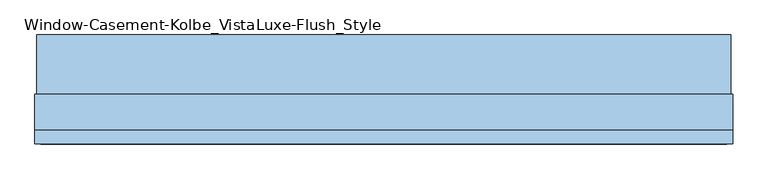
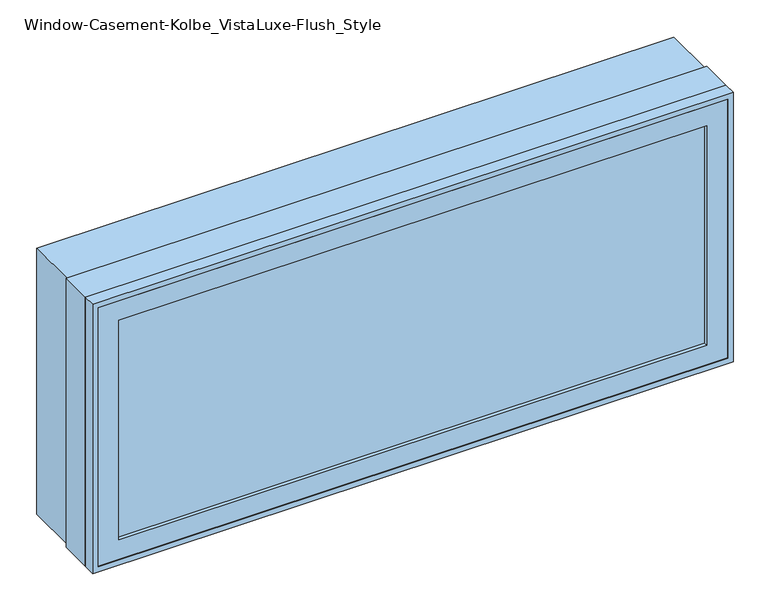
"""IFC4 building model written with IfcOpenShell, lengths in millimetres: window geometry, Window-Casement-Kolbe_VistaLuxe-Flush_Style."""

from ifc_helpers import new_model, si_unit, frame, origin, place, context, project, spatial, polyline, outline, extrude, faceted_brep, source, transform, mapped, element, save


def window_casement_kolbe_vistaluxe_flush_style_85f8f85f(model_context):
    return source(origin(), model_context, "Body", "SolidModel", [
        faceted_brep([(-635.0696599, -111.85398, 970.676875), (-635.0696599, -119.79148, 970.676875), (623.9765901, -119.79148, 970.676875), (623.9765901, -111.85398, 970.676875), (-650.9446599, -89.60358, 954.801875), (-650.9446599, -111.85398, 954.801875), (639.8515901, -111.85398, 954.801875), (639.8515901, -89.60358, 954.801875), (-635.0696599, -70.57898, 970.676875), (-635.0696599, -89.60358, 970.676875), (623.9765901, -89.60358, 970.676875), (623.9765901, -70.57898, 970.676875), (-679.5196599, -119.79148, 926.226875), (-679.5196599, -70.57898, 926.226875), (668.4265901, -70.57898, 926.226875), (668.4265901, -119.79148, 926.226875), (623.9765901, -119.79148, 1467.723125), (623.9765901, -111.85398, 1467.723125), (639.8515901, -111.85398, 1483.598125), (639.8515901, -89.60358, 1483.598125), (623.9765901, -89.60358, 1467.723125), (623.9765901, -70.57898, 1467.723125), (668.4265901, -70.57898, 1512.173125), (668.4265901, -119.79148, 1512.173125), (-635.0696599, -119.79148, 1467.723125), (-635.0696599, -111.85398, 1467.723125), (-650.9446599, -111.85398, 1483.598125), (-650.9446599, -89.60358, 1483.598125), (-635.0696599, -89.60358, 1467.723125), (-635.0696599, -70.57898, 1467.723125), (-679.5196599, -70.57898, 1512.173125), (-679.5196599, -119.79148, 1512.173125)], [[[0, 1, 2, 3]], [[4, 5, 6, 7]], [[8, 9, 10, 11]], [[12, 13, 14, 15]], [[3, 2, 16, 17]], [[7, 6, 18, 19]], [[11, 10, 20, 21]], [[15, 14, 22, 23]], [[17, 16, 24, 25]], [[19, 18, 26, 27]], [[21, 20, 28, 29]], [[23, 22, 30, 31]], [[25, 24, 1, 0]], [[5, 26, 18, 6], [3, 17, 25, 0]], [[27, 26, 5, 4]], [[7, 19, 27, 4], [9, 28, 20, 10]], [[29, 28, 9, 8]], [[13, 30, 22, 14], [11, 21, 29, 8]], [[31, 30, 13, 12]], [[15, 23, 31, 12], [1, 24, 16, 2]]]),
        extrude(outline(polyline([(1520.4186, 676.6720651), (1520.4186, -687.7651349), (917.9814, -687.7651349), (917.9814, 676.6720651), (1520.4186, 676.6720651)]), holes=[polyline([(936.545625, 658.1078401), (936.545625, -669.2009099), (1501.854375, -669.2009099), (1501.854375, 658.1078401), (936.545625, 658.1078401)])]), frame((0.0, -22.9997, 0.0), z_axis=(0.0, 1.0, 0.0), x_axis=(0.0, 0.0, 1.0)), (0.0, 0.0, 1.0), 116.6622),
        extrude(outline(polyline([(1524.0, -691.3465349), (914.4, -691.3465349), (914.4, 680.2534651), (1524.0, 680.2534651), (1524.0, -691.3465349)]), holes=[polyline([(1512.173125, 668.4265901), (926.226875, 668.4265901), (926.226875, -679.5196599), (1512.173125, -679.5196599), (1512.173125, 668.4265901)])]), frame((0.0, -120.5865, 0.0), z_axis=(0.0, 1.0, 0.0), x_axis=(0.0, 0.0, 1.0)), (0.0, 0.0, 1.0), 26.924),
        faceted_brep([(680.2534651, -22.9997, 914.4), (680.2534651, -93.6625, 914.4), (-691.3465349, -93.6625, 914.4), (-691.3465349, -22.9997, 914.4), (658.1078401, -70.58025, 936.545625), (658.1078401, -22.9997, 936.545625), (-669.2009099, -22.9997, 936.545625), (-669.2009099, -70.58025, 936.545625), (668.4265901, -93.6625, 926.226875), (668.4265901, -70.58025, 926.226875), (-679.5196599, -70.58025, 926.226875), (-679.5196599, -93.6625, 926.226875), (-691.3465349, -93.6625, 1524.0), (-691.3465349, -22.9997, 1524.0), (-669.2009099, -22.9997, 1501.854375), (-669.2009099, -70.58025, 1501.854375), (-679.5196599, -70.58025, 1512.173125), (-679.5196599, -93.6625, 1512.173125), (680.2534651, -93.6625, 1524.0), (680.2534651, -22.9997, 1524.0), (658.1078401, -22.9997, 1501.854375), (658.1078401, -70.58025, 1501.854375), (668.4265901, -70.58025, 1512.173125), (668.4265901, -93.6625, 1512.173125)], [[[0, 1, 2, 3]], [[4, 5, 6, 7]], [[8, 9, 10, 11]], [[3, 2, 12, 13]], [[7, 6, 14, 15]], [[11, 10, 16, 17]], [[13, 12, 18, 19]], [[15, 14, 20, 21]], [[17, 16, 22, 23]], [[19, 18, 1, 0]], [[3, 13, 19, 0], [5, 20, 14, 6]], [[21, 20, 5, 4]], [[9, 22, 16, 10], [7, 15, 21, 4]], [[23, 22, 9, 8]], [[1, 18, 12, 2], [11, 17, 23, 8]]]),
        extrude(outline(polyline([(636.6765901, -92.77858), (-647.7696599, -92.77858), (-647.7696599, -89.60358), (636.6765901, -89.60358), (636.6765901, -92.77858)])), frame((0.0, 0.0, 957.976875), z_axis=(0.0, 0.0, 1.0), x_axis=(1.0, 0.0, 0.0)), (0.0, 0.0, 1.0), 522.44625),
        extrude(outline(polyline([(636.6765901, -108.67898), (636.6765901, -111.85398), (-647.7696599, -111.85398), (-647.7696599, -108.67898), (636.6765901, -108.67898)])), frame((0.0, 0.0, 957.976875), z_axis=(0.0, 0.0, 1.0), x_axis=(1.0, 0.0, 0.0)), (0.0, 0.0, 1.0), 522.44625),
        extrude(outline(polyline([(936.545625, 658.1078401), (1501.854375, 658.1078401), (1501.854375, -669.2009099), (936.545625, -669.2009099), (936.545625, 658.1078401)]), holes=[polyline([(954.801875, -650.9446599), (1483.598125, -650.9446599), (1483.598125, 639.8515901), (954.801875, 639.8515901), (954.801875, -650.9446599)])]), frame((0.0, -70.58025, 0.0), z_axis=(0.0, 1.0, 0.0), x_axis=(0.0, 0.0, 1.0)), (0.0, 0.0, 1.0), 50.8),
    ])


if __name__ == "__main__":
    model = new_model("IFC4")
    model_context = context("Model", 3, world=origin())
    ifc_project = project(units=[si_unit("LENGTHUNIT", "METRE", prefix="MILLI")], contexts=[model_context])
    site = spatial("IfcSite", under=ifc_project)
    building = spatial("IfcBuilding", under=site)
    placement = place(None, origin())
    window_casement_kolbe_vistaluxe_flush_style_shape = window_casement_kolbe_vistaluxe_flush_style_85f8f85f(model_context)
    element("IfcWindow", 1, ObjectType="Window-Casement-Kolbe_VistaLuxe-Flush_Style", at=placement, inside=building, context=model_context, shape_type="MappedRepresentation", body=[
        mapped(window_casement_kolbe_vistaluxe_flush_style_shape, transform((0.0, 0.0, 0.0), x_axis=(1.0, 0.0, 0.0), y_axis=(0.0, 1.0, 0.0), z_axis=(0.0, 0.0, 1.0))),
    ])
    save(model, "model.ifc")
